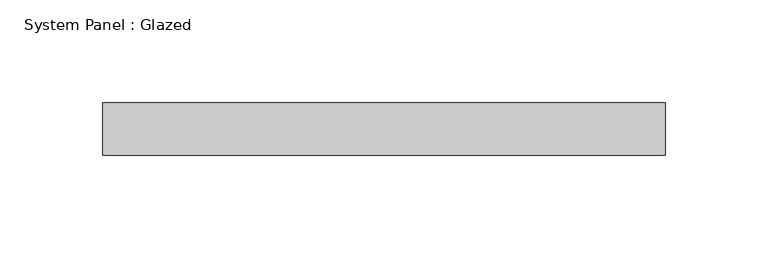
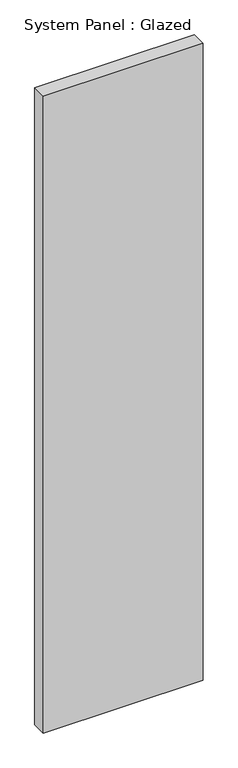
"""IFC4 building model written with IfcOpenShell, lengths in millimetres: plate geometry, System Panel : Glazed."""

from ifc_helpers import new_model, si_unit, origin, origin_with_axes, place, context, project, spatial, polyline, outline, extrude, source, transform, mapped, element, save


def system_panel_glazed_efbf0691(model_context):
    return source(origin(), model_context, "Body", "SweptSolid", [
        extrude(outline(polyline([(136.525, -12.7), (-136.525, -12.7), (-136.525, 12.7), (136.525, 12.7), (136.525, -12.7)])), origin_with_axes(), (0.0, 0.0, 1.0), 1149.35),
    ])


if __name__ == "__main__":
    model = new_model("IFC4")
    model_context = context("Model", 3, world=origin())
    ifc_project = project(units=[si_unit("LENGTHUNIT", "METRE", prefix="MILLI")], contexts=[model_context])
    site = spatial("IfcSite", under=ifc_project)
    building = spatial("IfcBuilding", under=site)
    placement = place(None, origin())
    system_panel_glazed_shape = system_panel_glazed_efbf0691(model_context)
    element("IfcPlate", 1, ObjectType="System Panel : Glazed", at=placement, inside=building, context=model_context, shape_type="MappedRepresentation", body=[
        mapped(system_panel_glazed_shape, transform((0.0, 0.0, 0.0), x_axis=(1.0, 0.0, 0.0), y_axis=(0.0, 1.0, 0.0), z_axis=(0.0, 0.0, 1.0))),
    ])
    save(model, "model.ifc")
